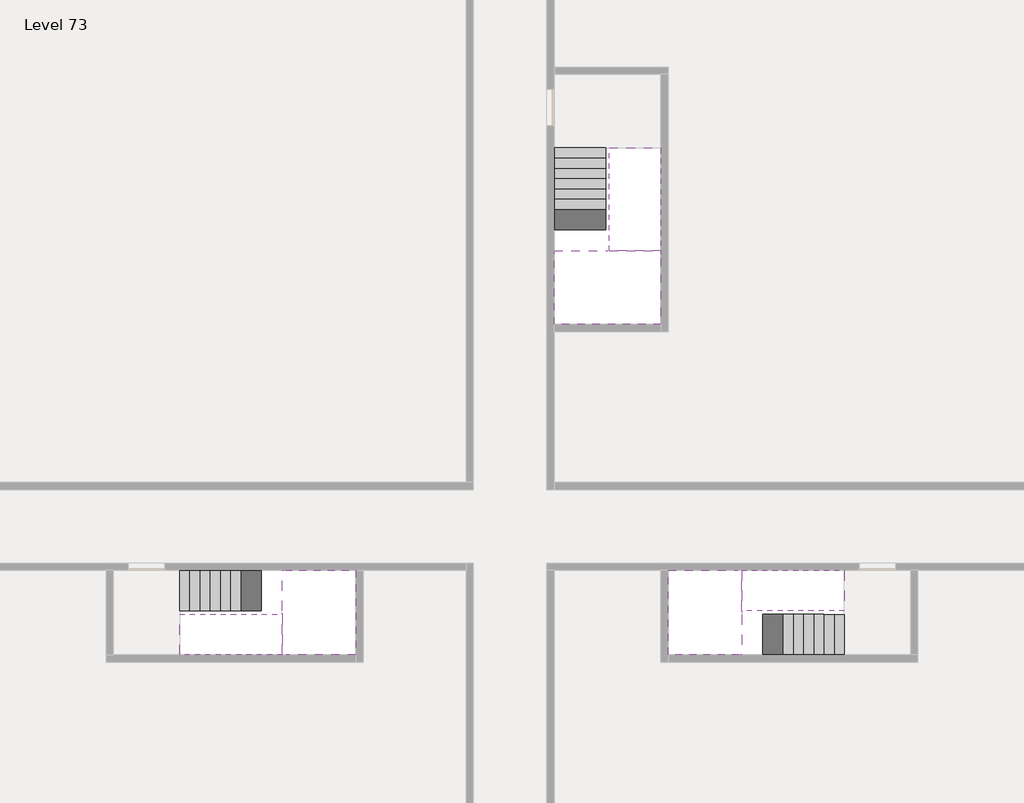
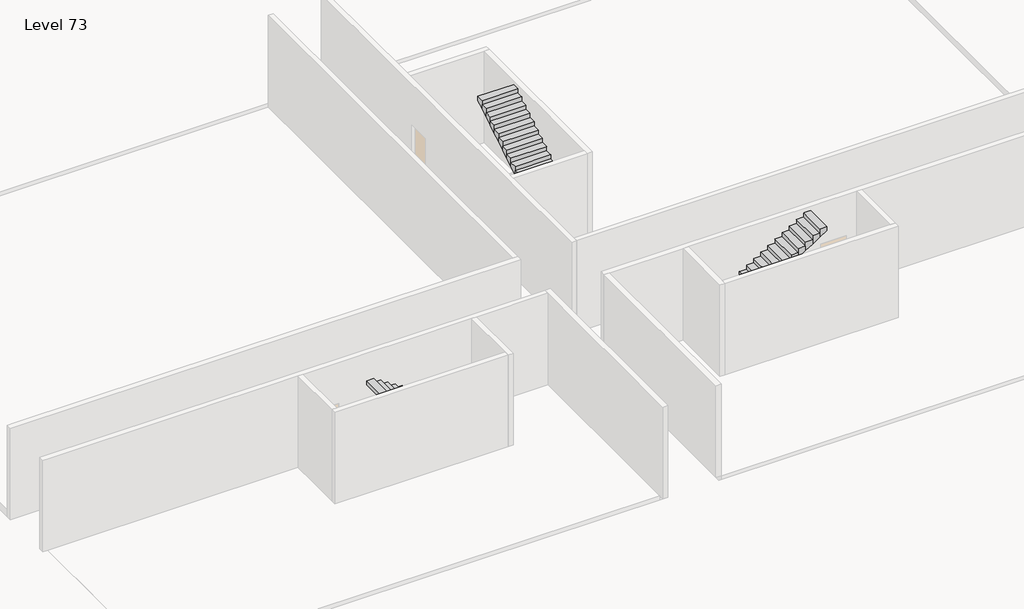
# One storey, part 2 of 2: 6 stair flights, 3 slabs.
"""IFC4 building model written with IfcOpenShell, lengths in millimetres."""

from ifc_helpers import new_model, si_unit, origin, place, context, project, spatial, faceted_brep, element, save

model = new_model("IFC4")

# Units and contexts
model_context = context("Model", 3, world=origin())
ifc_project = project(units=[si_unit("LENGTHUNIT", "METRE", prefix="MILLI")], contexts=[model_context])

# Site, building, storey
site = spatial("IfcSite", under=ifc_project)
building = spatial("IfcBuilding", under=site)
storey = spatial("IfcBuildingStorey", under=building, Name="Level 73", Elevation=273600.0)

# Slabs
placement = place(None, origin())
element("IfcSlab", 1, at=placement, inside=storey, context=model_context, shape_type="Brep", body=[
    faceted_brep([(26790.1058784, -34218.09644, 275500.0), (25390.1058784, -34218.09644, 275500.0), (25390.1058784, -34297.4828763, 275500.0), (25390.1058784, -36218.09644, 275500.0), (28290.1058784, -36218.09644, 275500.0), (28290.1058784, -34418.7100038, 275500.0), (28290.1058784, -34218.09644, 275500.0), (26890.1058784, -34218.09644, 275500.0), (26790.1058784, -34218.09644, 275200.0), (26790.1058784, -34218.09644, 275151.0278478), (25390.1058784, -34218.09644, 275151.0278478), (25390.1058784, -34218.09644, 275327.2727273), (25390.1058784, -34297.4828763, 275200.0), (25390.1058784, -36218.09644, 275200.0), (28290.1058784, -36218.09644, 275200.0), (28290.1058784, -34418.7100038, 275200.0), (28290.1058784, -34218.09644, 275323.7551205), (26890.1058784, -34218.09644, 275323.7551205), (26890.1058784, -34218.09644, 275200.0), (26890.1058784, -34418.7100038, 275200.0), (26790.1058784, -34297.4828763, 275200.0)], [[[0, 1, 2, 3, 4, 5, 6, 7]], [[1, 0, 8, 9, 10, 11]], [[1, 11, 10, 12, 13, 3, 2]], [[4, 3, 13, 14]], [[4, 14, 15, 16, 6, 5]], [[7, 6, 16, 17]], [[0, 7, 17, 18, 8]], [[18, 19, 15, 14, 13, 12, 20, 8]], [[19, 18, 17]], [[20, 12, 10, 9]], [[8, 20, 9]], [[15, 19, 17, 16]]]),
])
element("IfcSlab", 2, at=placement, inside=storey, context=model_context, shape_type="Brep", body=[
    faceted_brep([(30490.1058784, -45218.09644, 275500.0), (30490.1058784, -44118.09644, 275500.0), (30490.1058784, -44018.09644, 275500.0), (30490.1058784, -42918.09644, 275500.0), (30289.4923146, -42918.09644, 275500.0), (28490.1058784, -42918.09644, 275500.0), (28490.1058784, -45218.09644, 275500.0), (30410.7194421, -45218.09644, 275500.0), (30490.1058784, -45218.09644, 275327.2727273), (30490.1058784, -45218.09644, 275151.0278478), (30490.1058784, -44118.09644, 275151.0278478), (30490.1058784, -44118.09644, 275200.0), (30490.1058784, -44018.09644, 275200.0), (30490.1058784, -44018.09644, 275323.7551205), (30490.1058784, -42918.09644, 275323.7551205), (30289.4923146, -42918.09644, 275200.0), (28490.1058784, -42918.09644, 275200.0), (28490.1058784, -45218.09644, 275200.0), (30410.7194421, -45218.09644, 275200.0), (30289.4923146, -44018.09644, 275200.0), (30410.7194421, -44118.09644, 275200.0)], [[[0, 1, 2, 3, 4, 5, 6, 7]], [[1, 0, 8, 9, 10, 11]], [[2, 1, 11, 12, 13]], [[3, 2, 13, 14]], [[3, 14, 15, 16, 5, 4]], [[6, 5, 16, 17]], [[9, 8, 0, 7, 6, 17, 18]], [[19, 12, 11, 20, 18, 17, 16, 15]], [[12, 19, 13]], [[18, 20, 10, 9]], [[20, 11, 10]], [[19, 15, 14, 13]]]),
])
element("IfcSlab", 3, at=placement, inside=storey, context=model_context, shape_type="Brep", body=[
    faceted_brep([(17990.1058784, -42918.09644, 275500.0), (17990.1058784, -44018.09644, 275500.0), (17990.1058784, -44118.09644, 275500.0), (17990.1058784, -45218.09644, 275500.0), (18190.7194421, -45218.09644, 275500.0), (19990.1058784, -45218.09644, 275500.0), (19990.1058784, -42918.09644, 275500.0), (18069.4923146, -42918.09644, 275500.0), (17990.1058784, -42918.09644, 275327.2727273), (17990.1058784, -42918.09644, 275151.0278478), (17990.1058784, -44018.09644, 275151.0278478), (17990.1058784, -44018.09644, 275200.0), (17990.1058784, -44118.09644, 275200.0), (17990.1058784, -44118.09644, 275323.7551205), (17990.1058784, -45218.09644, 275323.7551205), (18190.7194421, -45218.09644, 275200.0), (19990.1058784, -45218.09644, 275200.0), (19990.1058784, -42918.09644, 275200.0), (18069.4923146, -42918.09644, 275200.0), (18190.7194421, -44118.09644, 275200.0), (18069.4923146, -44018.09644, 275200.0)], [[[0, 1, 2, 3, 4, 5, 6, 7]], [[1, 0, 8, 9, 10, 11]], [[2, 1, 11, 12, 13]], [[3, 2, 13, 14]], [[3, 14, 15, 16, 5, 4]], [[6, 5, 16, 17]], [[9, 8, 0, 7, 6, 17, 18]], [[19, 12, 11, 20, 18, 17, 16, 15]], [[12, 19, 13]], [[18, 20, 10, 9]], [[20, 11, 10]], [[19, 15, 14, 13]]]),
])

# Stair flights
element("IfcStairFlight", 4, at=placement, inside=storey, context=model_context, shape_type="Brep", body=[
    faceted_brep([(26790.1058784, -31698.09644, 273772.7272727), (26790.1058784, -31418.09644, 273772.7272727), (25390.1058784, -31418.09644, 273772.7272727), (25390.1058784, -31698.09644, 273772.7272727), (26790.1058784, -31698.09644, 273600.0), (26790.1058784, -31418.09644, 273600.0), (25390.1058784, -31418.09644, 273600.0), (25390.1058784, -31698.09644, 273600.0), (26790.1058784, -31978.09644, 273945.4545455), (26790.1058784, -31698.09644, 273945.4545455), (25390.1058784, -31698.09644, 273945.4545455), (25390.1058784, -31978.09644, 273945.4545455), (26790.1058784, -31978.09644, 273769.209666), (26790.1058784, -31703.7986657, 273600.0), (25390.1058784, -31703.7986657, 273600.0), (25390.1058784, -31978.09644, 273769.209666), (26790.1058784, -32258.09644, 274118.1818182), (26790.1058784, -31978.09644, 274118.1818182), (25390.1058784, -31978.09644, 274118.1818182), (25390.1058784, -32258.09644, 274118.1818182), (26790.1058784, -32258.09644, 273941.9369387), (25390.1058784, -32258.09644, 273941.9369387), (26790.1058784, -32538.09644, 274290.9090909), (26790.1058784, -32258.09644, 274290.9090909), (25390.1058784, -32258.09644, 274290.9090909), (25390.1058784, -32538.09644, 274290.9090909), (26790.1058784, -32538.09644, 274114.6642114), (25390.1058784, -32538.09644, 274114.6642114), (26790.1058784, -32818.09644, 274463.6363636), (26790.1058784, -32538.09644, 274463.6363636), (25390.1058784, -32538.09644, 274463.6363636), (25390.1058784, -32818.09644, 274463.6363636), (26790.1058784, -32818.09644, 274287.3914841), (25390.1058784, -32818.09644, 274287.3914841), (26790.1058784, -33098.09644, 274636.3636364), (26790.1058784, -32818.09644, 274636.3636364), (25390.1058784, -32818.09644, 274636.3636364), (25390.1058784, -33098.09644, 274636.3636364), (26790.1058784, -33098.09644, 274460.1187569), (25390.1058784, -33098.09644, 274460.1187569), (26790.1058784, -33378.09644, 274809.0909091), (26790.1058784, -33098.09644, 274809.0909091), (25390.1058784, -33098.09644, 274809.0909091), (25390.1058784, -33378.09644, 274809.0909091), (26790.1058784, -33378.09644, 274632.8460296), (25390.1058784, -33378.09644, 274632.8460296), (26790.1058784, -33658.09644, 274981.8181818), (26790.1058784, -33378.09644, 274981.8181818), (25390.1058784, -33378.09644, 274981.8181818), (25390.1058784, -33658.09644, 274981.8181818), (26790.1058784, -33658.09644, 274805.5733023), (25390.1058784, -33658.09644, 274805.5733023), (26790.1058784, -33938.09644, 275154.5454545), (26790.1058784, -33658.09644, 275154.5454545), (25390.1058784, -33658.09644, 275154.5454545), (25390.1058784, -33938.09644, 275154.5454545), (26790.1058784, -33938.09644, 274978.3005751), (25390.1058784, -33938.09644, 274978.3005751), (26790.1058784, -34218.09644, 275327.2727273), (26790.1058784, -33938.09644, 275327.2727273), (25390.1058784, -33938.09644, 275327.2727273), (25390.1058784, -34218.09644, 275327.2727273), (26790.1058784, -34218.09644, 275200.0), (26790.1058784, -34218.09644, 275151.0278478), (25390.1058784, -34218.09644, 275151.0278478)], [[[0, 1, 2, 3]], [[1, 0, 4, 5]], [[2, 1, 5, 6]], [[3, 2, 6, 7]], [[8, 9, 10, 11]], [[4, 0, 9, 8, 12, 13]], [[0, 3, 10, 9]], [[3, 7, 14, 15, 11, 10]], [[16, 17, 18, 19]], [[17, 16, 20, 12, 8]], [[8, 11, 18, 17]], [[19, 18, 11, 15, 21]], [[22, 23, 24, 25]], [[23, 22, 26, 20, 16]], [[16, 19, 24, 23]], [[25, 24, 19, 21, 27]], [[28, 29, 30, 31]], [[29, 28, 32, 26, 22]], [[22, 25, 30, 29]], [[31, 30, 25, 27, 33]], [[34, 35, 36, 37]], [[35, 34, 38, 32, 28]], [[28, 31, 36, 35]], [[37, 36, 31, 33, 39]], [[40, 41, 42, 43]], [[41, 40, 44, 38, 34]], [[34, 37, 42, 41]], [[43, 42, 37, 39, 45]], [[46, 47, 48, 49]], [[47, 46, 50, 44, 40]], [[40, 43, 48, 47]], [[49, 48, 43, 45, 51]], [[52, 53, 54, 55]], [[53, 52, 56, 50, 46]], [[46, 49, 54, 53]], [[55, 54, 49, 51, 57]], [[58, 59, 60, 61]], [[59, 58, 62, 63, 56, 52]], [[52, 55, 60, 59]], [[61, 60, 55, 57, 64]], [[58, 61, 64, 63, 62]], [[5, 4, 13, 14, 7, 6]], [[14, 13, 12, 20, 26, 32, 38, 44, 50, 56, 63, 64, 57, 51, 45, 39, 33, 27, 21, 15]]]),
])
element("IfcStairFlight", 5, at=placement, inside=storey, context=model_context, shape_type="Brep", body=[
    faceted_brep([(26890.1058784, -33938.09644, 275672.7272727), (26890.1058784, -34218.09644, 275672.7272727), (28290.1058784, -34218.09644, 275672.7272727), (28290.1058784, -33938.09644, 275672.7272727), (26890.1058784, -33938.09644, 275496.4823932), (26890.1058784, -34218.09644, 275323.7551205), (28290.1058784, -34218.09644, 275323.7551205), (28290.1058784, -34218.09644, 275500.0), (28290.1058784, -33938.09644, 275496.4823932), (26890.1058784, -33658.09644, 275845.4545455), (26890.1058784, -33938.09644, 275845.4545455), (28290.1058784, -33938.09644, 275845.4545455), (28290.1058784, -33658.09644, 275845.4545455), (26890.1058784, -33658.09644, 275669.209666), (28290.1058784, -33658.09644, 275669.209666), (26890.1058784, -33378.09644, 276018.1818182), (26890.1058784, -33658.09644, 276018.1818182), (28290.1058784, -33658.09644, 276018.1818182), (28290.1058784, -33378.09644, 276018.1818182), (26890.1058784, -33378.09644, 275841.9369387), (28290.1058784, -33378.09644, 275841.9369387), (26890.1058784, -33098.09644, 276190.9090909), (26890.1058784, -33378.09644, 276190.9090909), (28290.1058784, -33378.09644, 276190.9090909), (28290.1058784, -33098.09644, 276190.9090909), (26890.1058784, -33098.09644, 276014.6642114), (28290.1058784, -33098.09644, 276014.6642114), (26890.1058784, -32818.09644, 276363.6363636), (26890.1058784, -33098.09644, 276363.6363636), (28290.1058784, -33098.09644, 276363.6363636), (28290.1058784, -32818.09644, 276363.6363636), (26890.1058784, -32818.09644, 276187.3914841), (28290.1058784, -32818.09644, 276187.3914841), (26890.1058784, -32538.09644, 276536.3636364), (26890.1058784, -32818.09644, 276536.3636364), (28290.1058784, -32818.09644, 276536.3636364), (28290.1058784, -32538.09644, 276536.3636364), (26890.1058784, -32538.09644, 276360.1187569), (28290.1058784, -32538.09644, 276360.1187569), (26890.1058784, -32258.09644, 276709.0909091), (26890.1058784, -32538.09644, 276709.0909091), (28290.1058784, -32538.09644, 276709.0909091), (28290.1058784, -32258.09644, 276709.0909091), (26890.1058784, -32258.09644, 276532.8460296), (28290.1058784, -32258.09644, 276532.8460296), (26890.1058784, -31978.09644, 276881.8181818), (26890.1058784, -32258.09644, 276881.8181818), (28290.1058784, -32258.09644, 276881.8181818), (28290.1058784, -31978.09644, 276881.8181818), (26890.1058784, -31978.09644, 276705.5733023), (28290.1058784, -31978.09644, 276705.5733023), (26890.1058784, -31698.09644, 277054.5454545), (26890.1058784, -31978.09644, 277054.5454545), (28290.1058784, -31978.09644, 277054.5454545), (28290.1058784, -31698.09644, 277054.5454545), (26890.1058784, -31698.09644, 276878.3005751), (28290.1058784, -31698.09644, 276878.3005751), (26890.1058784, -31418.09644, 277227.2727273), (26890.1058784, -31698.09644, 277227.2727273), (28290.1058784, -31698.09644, 277227.2727273), (28290.1058784, -31418.09644, 277227.2727273), (26890.1058784, -31418.09644, 277051.0278478), (28290.1058784, -31418.09644, 277051.0278478)], [[[0, 1, 2, 3]], [[1, 0, 4, 5]], [[2, 1, 5, 6, 7]], [[3, 2, 7, 6, 8]], [[9, 10, 11, 12]], [[10, 9, 13, 4, 0]], [[11, 10, 0, 3]], [[12, 11, 3, 8, 14]], [[15, 16, 17, 18]], [[16, 15, 19, 13, 9]], [[17, 16, 9, 12]], [[18, 17, 12, 14, 20]], [[21, 22, 23, 24]], [[22, 21, 25, 19, 15]], [[23, 22, 15, 18]], [[24, 23, 18, 20, 26]], [[27, 28, 29, 30]], [[28, 27, 31, 25, 21]], [[29, 28, 21, 24]], [[30, 29, 24, 26, 32]], [[33, 34, 35, 36]], [[34, 33, 37, 31, 27]], [[35, 34, 27, 30]], [[36, 35, 30, 32, 38]], [[39, 40, 41, 42]], [[40, 39, 43, 37, 33]], [[41, 40, 33, 36]], [[42, 41, 36, 38, 44]], [[45, 46, 47, 48]], [[46, 45, 49, 43, 39]], [[47, 46, 39, 42]], [[48, 47, 42, 44, 50]], [[51, 52, 53, 54]], [[52, 51, 55, 49, 45]], [[53, 52, 45, 48]], [[54, 53, 48, 50, 56]], [[57, 58, 59, 60]], [[58, 57, 61, 55, 51]], [[59, 58, 51, 54]], [[60, 59, 54, 56, 62]], [[57, 60, 62, 61]], [[5, 4, 13, 19, 25, 31, 37, 43, 49, 55, 61, 62, 56, 50, 44, 38, 32, 26, 20, 14, 8, 6]]]),
])
element("IfcStairFlight", 6, at=placement, inside=storey, context=model_context, shape_type="Brep", body=[
    faceted_brep([(33010.1058784, -45218.09644, 273772.7272727), (33290.1058784, -45218.09644, 273772.7272727), (33290.1058784, -44118.09644, 273772.7272727), (33010.1058784, -44118.09644, 273772.7272727), (33010.1058784, -45218.09644, 273600.0), (33290.1058784, -45218.09644, 273600.0), (33290.1058784, -44118.09644, 273600.0), (33010.1058784, -44118.09644, 273600.0), (32730.1058784, -45218.09644, 273945.4545455), (33010.1058784, -45218.09644, 273945.4545455), (33010.1058784, -44118.09644, 273945.4545455), (32730.1058784, -44118.09644, 273945.4545455), (32730.1058784, -45218.09644, 273769.209666), (33004.4036527, -45218.09644, 273600.0), (33004.4036527, -44118.09644, 273600.0), (32730.1058784, -44118.09644, 273769.209666), (32450.1058784, -45218.09644, 274118.1818182), (32730.1058784, -45218.09644, 274118.1818182), (32730.1058784, -44118.09644, 274118.1818182), (32450.1058784, -44118.09644, 274118.1818182), (32450.1058784, -45218.09644, 273941.9369387), (32450.1058784, -44118.09644, 273941.9369387), (32170.1058784, -45218.09644, 274290.9090909), (32450.1058784, -45218.09644, 274290.9090909), (32450.1058784, -44118.09644, 274290.9090909), (32170.1058784, -44118.09644, 274290.9090909), (32170.1058784, -45218.09644, 274114.6642114), (32170.1058784, -44118.09644, 274114.6642114), (31890.1058784, -45218.09644, 274463.6363636), (32170.1058784, -45218.09644, 274463.6363636), (32170.1058784, -44118.09644, 274463.6363636), (31890.1058784, -44118.09644, 274463.6363636), (31890.1058784, -45218.09644, 274287.3914841), (31890.1058784, -44118.09644, 274287.3914841), (31610.1058784, -45218.09644, 274636.3636364), (31890.1058784, -45218.09644, 274636.3636364), (31890.1058784, -44118.09644, 274636.3636364), (31610.1058784, -44118.09644, 274636.3636364), (31610.1058784, -45218.09644, 274460.1187569), (31610.1058784, -44118.09644, 274460.1187569), (31330.1058784, -45218.09644, 274809.0909091), (31610.1058784, -45218.09644, 274809.0909091), (31610.1058784, -44118.09644, 274809.0909091), (31330.1058784, -44118.09644, 274809.0909091), (31330.1058784, -45218.09644, 274632.8460296), (31330.1058784, -44118.09644, 274632.8460296), (31050.1058784, -45218.09644, 274981.8181818), (31330.1058784, -45218.09644, 274981.8181818), (31330.1058784, -44118.09644, 274981.8181818), (31050.1058784, -44118.09644, 274981.8181818), (31050.1058784, -45218.09644, 274805.5733023), (31050.1058784, -44118.09644, 274805.5733023), (30770.1058784, -45218.09644, 275154.5454545), (31050.1058784, -45218.09644, 275154.5454545), (31050.1058784, -44118.09644, 275154.5454545), (30770.1058784, -44118.09644, 275154.5454545), (30770.1058784, -45218.09644, 274978.3005751), (30770.1058784, -44118.09644, 274978.3005751), (30490.1058784, -45218.09644, 275327.2727273), (30770.1058784, -45218.09644, 275327.2727273), (30770.1058784, -44118.09644, 275327.2727273), (30490.1058784, -44118.09644, 275327.2727273), (30490.1058784, -45218.09644, 275151.0278478), (30490.1058784, -44118.09644, 275151.0278478), (30490.1058784, -44118.09644, 275200.0)], [[[0, 1, 2, 3]], [[1, 0, 4, 5]], [[2, 1, 5, 6]], [[3, 2, 6, 7]], [[8, 9, 10, 11]], [[4, 0, 9, 8, 12, 13]], [[0, 3, 10, 9]], [[3, 7, 14, 15, 11, 10]], [[16, 17, 18, 19]], [[17, 16, 20, 12, 8]], [[8, 11, 18, 17]], [[19, 18, 11, 15, 21]], [[22, 23, 24, 25]], [[23, 22, 26, 20, 16]], [[16, 19, 24, 23]], [[25, 24, 19, 21, 27]], [[28, 29, 30, 31]], [[29, 28, 32, 26, 22]], [[22, 25, 30, 29]], [[31, 30, 25, 27, 33]], [[34, 35, 36, 37]], [[35, 34, 38, 32, 28]], [[28, 31, 36, 35]], [[37, 36, 31, 33, 39]], [[40, 41, 42, 43]], [[41, 40, 44, 38, 34]], [[34, 37, 42, 41]], [[43, 42, 37, 39, 45]], [[46, 47, 48, 49]], [[47, 46, 50, 44, 40]], [[40, 43, 48, 47]], [[49, 48, 43, 45, 51]], [[52, 53, 54, 55]], [[53, 52, 56, 50, 46]], [[46, 49, 54, 53]], [[55, 54, 49, 51, 57]], [[58, 59, 60, 61]], [[59, 58, 62, 56, 52]], [[52, 55, 60, 59]], [[61, 60, 55, 57, 63, 64]], [[58, 61, 64, 63, 62]], [[5, 4, 13, 14, 7, 6]], [[14, 13, 12, 20, 26, 32, 38, 44, 50, 56, 62, 63, 57, 51, 45, 39, 33, 27, 21, 15]]]),
])
element("IfcStairFlight", 7, at=placement, inside=storey, context=model_context, shape_type="Brep", body=[
    faceted_brep([(30770.1058784, -42918.09644, 275672.7272727), (30490.1058784, -42918.09644, 275672.7272727), (30490.1058784, -44018.09644, 275672.7272727), (30770.1058784, -44018.09644, 275672.7272727), (30770.1058784, -42918.09644, 275496.4823932), (30490.1058784, -42918.09644, 275323.7551205), (30490.1058784, -42918.09644, 275500.0), (30490.1058784, -44018.09644, 275323.7551205), (30770.1058784, -44018.09644, 275496.4823932), (31050.1058784, -42918.09644, 275845.4545455), (30770.1058784, -42918.09644, 275845.4545455), (30770.1058784, -44018.09644, 275845.4545455), (31050.1058784, -44018.09644, 275845.4545455), (31050.1058784, -42918.09644, 275669.209666), (31050.1058784, -44018.09644, 275669.209666), (31330.1058784, -42918.09644, 276018.1818182), (31050.1058784, -42918.09644, 276018.1818182), (31050.1058784, -44018.09644, 276018.1818182), (31330.1058784, -44018.09644, 276018.1818182), (31330.1058784, -42918.09644, 275841.9369387), (31330.1058784, -44018.09644, 275841.9369387), (31610.1058784, -42918.09644, 276190.9090909), (31330.1058784, -42918.09644, 276190.9090909), (31330.1058784, -44018.09644, 276190.9090909), (31610.1058784, -44018.09644, 276190.9090909), (31610.1058784, -42918.09644, 276014.6642114), (31610.1058784, -44018.09644, 276014.6642114), (31890.1058784, -42918.09644, 276363.6363636), (31610.1058784, -42918.09644, 276363.6363636), (31610.1058784, -44018.09644, 276363.6363636), (31890.1058784, -44018.09644, 276363.6363636), (31890.1058784, -42918.09644, 276187.3914841), (31890.1058784, -44018.09644, 276187.3914841), (32170.1058784, -42918.09644, 276536.3636364), (31890.1058784, -42918.09644, 276536.3636364), (31890.1058784, -44018.09644, 276536.3636364), (32170.1058784, -44018.09644, 276536.3636364), (32170.1058784, -42918.09644, 276360.1187569), (32170.1058784, -44018.09644, 276360.1187569), (32450.1058784, -42918.09644, 276709.0909091), (32170.1058784, -42918.09644, 276709.0909091), (32170.1058784, -44018.09644, 276709.0909091), (32450.1058784, -44018.09644, 276709.0909091), (32450.1058784, -42918.09644, 276532.8460296), (32450.1058784, -44018.09644, 276532.8460296), (32730.1058784, -42918.09644, 276881.8181818), (32450.1058784, -42918.09644, 276881.8181818), (32450.1058784, -44018.09644, 276881.8181818), (32730.1058784, -44018.09644, 276881.8181818), (32730.1058784, -42918.09644, 276705.5733023), (32730.1058784, -44018.09644, 276705.5733023), (33010.1058784, -42918.09644, 277054.5454545), (32730.1058784, -42918.09644, 277054.5454545), (32730.1058784, -44018.09644, 277054.5454545), (33010.1058784, -44018.09644, 277054.5454545), (33010.1058784, -42918.09644, 276878.3005751), (33010.1058784, -44018.09644, 276878.3005751), (33290.1058784, -42918.09644, 277227.2727273), (33010.1058784, -42918.09644, 277227.2727273), (33010.1058784, -44018.09644, 277227.2727273), (33290.1058784, -44018.09644, 277227.2727273), (33290.1058784, -42918.09644, 277051.0278478), (33290.1058784, -44018.09644, 277051.0278478)], [[[0, 1, 2, 3]], [[1, 0, 4, 5, 6]], [[2, 1, 6, 5, 7]], [[3, 2, 7, 8]], [[9, 10, 11, 12]], [[10, 9, 13, 4, 0]], [[11, 10, 0, 3]], [[12, 11, 3, 8, 14]], [[15, 16, 17, 18]], [[16, 15, 19, 13, 9]], [[17, 16, 9, 12]], [[18, 17, 12, 14, 20]], [[21, 22, 23, 24]], [[22, 21, 25, 19, 15]], [[23, 22, 15, 18]], [[24, 23, 18, 20, 26]], [[27, 28, 29, 30]], [[28, 27, 31, 25, 21]], [[29, 28, 21, 24]], [[30, 29, 24, 26, 32]], [[33, 34, 35, 36]], [[34, 33, 37, 31, 27]], [[35, 34, 27, 30]], [[36, 35, 30, 32, 38]], [[39, 40, 41, 42]], [[40, 39, 43, 37, 33]], [[41, 40, 33, 36]], [[42, 41, 36, 38, 44]], [[45, 46, 47, 48]], [[46, 45, 49, 43, 39]], [[47, 46, 39, 42]], [[48, 47, 42, 44, 50]], [[51, 52, 53, 54]], [[52, 51, 55, 49, 45]], [[53, 52, 45, 48]], [[54, 53, 48, 50, 56]], [[57, 58, 59, 60]], [[58, 57, 61, 55, 51]], [[59, 58, 51, 54]], [[60, 59, 54, 56, 62]], [[57, 60, 62, 61]], [[5, 4, 13, 19, 25, 31, 37, 43, 49, 55, 61, 62, 56, 50, 44, 38, 32, 26, 20, 14, 8, 7]]]),
])
element("IfcStairFlight", 8, at=placement, inside=storey, context=model_context, shape_type="Brep", body=[
    faceted_brep([(15470.1058784, -42918.09644, 273772.7272727), (15190.1058784, -42918.09644, 273772.7272727), (15190.1058784, -44018.09644, 273772.7272727), (15470.1058784, -44018.09644, 273772.7272727), (15470.1058784, -42918.09644, 273600.0), (15190.1058784, -42918.09644, 273600.0), (15190.1058784, -44018.09644, 273600.0), (15470.1058784, -44018.09644, 273600.0), (15750.1058784, -42918.09644, 273945.4545455), (15470.1058784, -42918.09644, 273945.4545455), (15470.1058784, -44018.09644, 273945.4545455), (15750.1058784, -44018.09644, 273945.4545455), (15750.1058784, -42918.09644, 273769.209666), (15475.8081041, -42918.09644, 273600.0), (15475.8081041, -44018.09644, 273600.0), (15750.1058784, -44018.09644, 273769.209666), (16030.1058784, -42918.09644, 274118.1818182), (15750.1058784, -42918.09644, 274118.1818182), (15750.1058784, -44018.09644, 274118.1818182), (16030.1058784, -44018.09644, 274118.1818182), (16030.1058784, -42918.09644, 273941.9369387), (16030.1058784, -44018.09644, 273941.9369387), (16310.1058784, -42918.09644, 274290.9090909), (16030.1058784, -42918.09644, 274290.9090909), (16030.1058784, -44018.09644, 274290.9090909), (16310.1058784, -44018.09644, 274290.9090909), (16310.1058784, -42918.09644, 274114.6642114), (16310.1058784, -44018.09644, 274114.6642114), (16590.1058784, -42918.09644, 274463.6363636), (16310.1058784, -42918.09644, 274463.6363636), (16310.1058784, -44018.09644, 274463.6363636), (16590.1058784, -44018.09644, 274463.6363636), (16590.1058784, -42918.09644, 274287.3914841), (16590.1058784, -44018.09644, 274287.3914841), (16870.1058784, -42918.09644, 274636.3636364), (16590.1058784, -42918.09644, 274636.3636364), (16590.1058784, -44018.09644, 274636.3636364), (16870.1058784, -44018.09644, 274636.3636364), (16870.1058784, -42918.09644, 274460.1187569), (16870.1058784, -44018.09644, 274460.1187569), (17150.1058784, -42918.09644, 274809.0909091), (16870.1058784, -42918.09644, 274809.0909091), (16870.1058784, -44018.09644, 274809.0909091), (17150.1058784, -44018.09644, 274809.0909091), (17150.1058784, -42918.09644, 274632.8460296), (17150.1058784, -44018.09644, 274632.8460296), (17430.1058784, -42918.09644, 274981.8181818), (17150.1058784, -42918.09644, 274981.8181818), (17150.1058784, -44018.09644, 274981.8181818), (17430.1058784, -44018.09644, 274981.8181818), (17430.1058784, -42918.09644, 274805.5733023), (17430.1058784, -44018.09644, 274805.5733023), (17710.1058784, -42918.09644, 275154.5454545), (17430.1058784, -42918.09644, 275154.5454545), (17430.1058784, -44018.09644, 275154.5454545), (17710.1058784, -44018.09644, 275154.5454545), (17710.1058784, -42918.09644, 274978.3005751), (17710.1058784, -44018.09644, 274978.3005751), (17990.1058784, -42918.09644, 275327.2727273), (17710.1058784, -42918.09644, 275327.2727273), (17710.1058784, -44018.09644, 275327.2727273), (17990.1058784, -44018.09644, 275327.2727273), (17990.1058784, -42918.09644, 275151.0278478), (17990.1058784, -44018.09644, 275151.0278478), (17990.1058784, -44018.09644, 275200.0)], [[[0, 1, 2, 3]], [[1, 0, 4, 5]], [[2, 1, 5, 6]], [[3, 2, 6, 7]], [[8, 9, 10, 11]], [[4, 0, 9, 8, 12, 13]], [[0, 3, 10, 9]], [[3, 7, 14, 15, 11, 10]], [[16, 17, 18, 19]], [[17, 16, 20, 12, 8]], [[8, 11, 18, 17]], [[19, 18, 11, 15, 21]], [[22, 23, 24, 25]], [[23, 22, 26, 20, 16]], [[16, 19, 24, 23]], [[25, 24, 19, 21, 27]], [[28, 29, 30, 31]], [[29, 28, 32, 26, 22]], [[22, 25, 30, 29]], [[31, 30, 25, 27, 33]], [[34, 35, 36, 37]], [[35, 34, 38, 32, 28]], [[28, 31, 36, 35]], [[37, 36, 31, 33, 39]], [[40, 41, 42, 43]], [[41, 40, 44, 38, 34]], [[34, 37, 42, 41]], [[43, 42, 37, 39, 45]], [[46, 47, 48, 49]], [[47, 46, 50, 44, 40]], [[40, 43, 48, 47]], [[49, 48, 43, 45, 51]], [[52, 53, 54, 55]], [[53, 52, 56, 50, 46]], [[46, 49, 54, 53]], [[55, 54, 49, 51, 57]], [[58, 59, 60, 61]], [[59, 58, 62, 56, 52]], [[52, 55, 60, 59]], [[61, 60, 55, 57, 63, 64]], [[58, 61, 64, 63, 62]], [[5, 4, 13, 14, 7, 6]], [[14, 13, 12, 20, 26, 32, 38, 44, 50, 56, 62, 63, 57, 51, 45, 39, 33, 27, 21, 15]]]),
])
element("IfcStairFlight", 9, at=placement, inside=storey, context=model_context, shape_type="Brep", body=[
    faceted_brep([(17710.1058784, -45218.09644, 275672.7272727), (17990.1058784, -45218.09644, 275672.7272727), (17990.1058784, -44118.09644, 275672.7272727), (17710.1058784, -44118.09644, 275672.7272727), (17710.1058784, -45218.09644, 275496.4823932), (17990.1058784, -45218.09644, 275323.7551205), (17990.1058784, -45218.09644, 275500.0), (17990.1058784, -44118.09644, 275323.7551205), (17710.1058784, -44118.09644, 275496.4823932), (17430.1058784, -45218.09644, 275845.4545455), (17710.1058784, -45218.09644, 275845.4545455), (17710.1058784, -44118.09644, 275845.4545455), (17430.1058784, -44118.09644, 275845.4545455), (17430.1058784, -45218.09644, 275669.209666), (17430.1058784, -44118.09644, 275669.209666), (17150.1058784, -45218.09644, 276018.1818182), (17430.1058784, -45218.09644, 276018.1818182), (17430.1058784, -44118.09644, 276018.1818182), (17150.1058784, -44118.09644, 276018.1818182), (17150.1058784, -45218.09644, 275841.9369387), (17150.1058784, -44118.09644, 275841.9369387), (16870.1058784, -45218.09644, 276190.9090909), (17150.1058784, -45218.09644, 276190.9090909), (17150.1058784, -44118.09644, 276190.9090909), (16870.1058784, -44118.09644, 276190.9090909), (16870.1058784, -45218.09644, 276014.6642114), (16870.1058784, -44118.09644, 276014.6642114), (16590.1058784, -45218.09644, 276363.6363636), (16870.1058784, -45218.09644, 276363.6363636), (16870.1058784, -44118.09644, 276363.6363636), (16590.1058784, -44118.09644, 276363.6363636), (16590.1058784, -45218.09644, 276187.3914841), (16590.1058784, -44118.09644, 276187.3914841), (16310.1058784, -45218.09644, 276536.3636364), (16590.1058784, -45218.09644, 276536.3636364), (16590.1058784, -44118.09644, 276536.3636364), (16310.1058784, -44118.09644, 276536.3636364), (16310.1058784, -45218.09644, 276360.1187569), (16310.1058784, -44118.09644, 276360.1187569), (16030.1058784, -45218.09644, 276709.0909091), (16310.1058784, -45218.09644, 276709.0909091), (16310.1058784, -44118.09644, 276709.0909091), (16030.1058784, -44118.09644, 276709.0909091), (16030.1058784, -45218.09644, 276532.8460296), (16030.1058784, -44118.09644, 276532.8460296), (15750.1058784, -45218.09644, 276881.8181818), (16030.1058784, -45218.09644, 276881.8181818), (16030.1058784, -44118.09644, 276881.8181818), (15750.1058784, -44118.09644, 276881.8181818), (15750.1058784, -45218.09644, 276705.5733023), (15750.1058784, -44118.09644, 276705.5733023), (15470.1058784, -45218.09644, 277054.5454545), (15750.1058784, -45218.09644, 277054.5454545), (15750.1058784, -44118.09644, 277054.5454545), (15470.1058784, -44118.09644, 277054.5454545), (15470.1058784, -45218.09644, 276878.3005751), (15470.1058784, -44118.09644, 276878.3005751), (15190.1058784, -45218.09644, 277227.2727273), (15470.1058784, -45218.09644, 277227.2727273), (15470.1058784, -44118.09644, 277227.2727273), (15190.1058784, -44118.09644, 277227.2727273), (15190.1058784, -45218.09644, 277051.0278478), (15190.1058784, -44118.09644, 277051.0278478)], [[[0, 1, 2, 3]], [[1, 0, 4, 5, 6]], [[2, 1, 6, 5, 7]], [[3, 2, 7, 8]], [[9, 10, 11, 12]], [[10, 9, 13, 4, 0]], [[11, 10, 0, 3]], [[12, 11, 3, 8, 14]], [[15, 16, 17, 18]], [[16, 15, 19, 13, 9]], [[17, 16, 9, 12]], [[18, 17, 12, 14, 20]], [[21, 22, 23, 24]], [[22, 21, 25, 19, 15]], [[23, 22, 15, 18]], [[24, 23, 18, 20, 26]], [[27, 28, 29, 30]], [[28, 27, 31, 25, 21]], [[29, 28, 21, 24]], [[30, 29, 24, 26, 32]], [[33, 34, 35, 36]], [[34, 33, 37, 31, 27]], [[35, 34, 27, 30]], [[36, 35, 30, 32, 38]], [[39, 40, 41, 42]], [[40, 39, 43, 37, 33]], [[41, 40, 33, 36]], [[42, 41, 36, 38, 44]], [[45, 46, 47, 48]], [[46, 45, 49, 43, 39]], [[47, 46, 39, 42]], [[48, 47, 42, 44, 50]], [[51, 52, 53, 54]], [[52, 51, 55, 49, 45]], [[53, 52, 45, 48]], [[54, 53, 48, 50, 56]], [[57, 58, 59, 60]], [[58, 57, 61, 55, 51]], [[59, 58, 51, 54]], [[60, 59, 54, 56, 62]], [[57, 60, 62, 61]], [[5, 4, 13, 19, 25, 31, 37, 43, 49, 55, 61, 62, 56, 50, 44, 38, 32, 26, 20, 14, 8, 7]]]),
])

save(model, "model.ifc")
